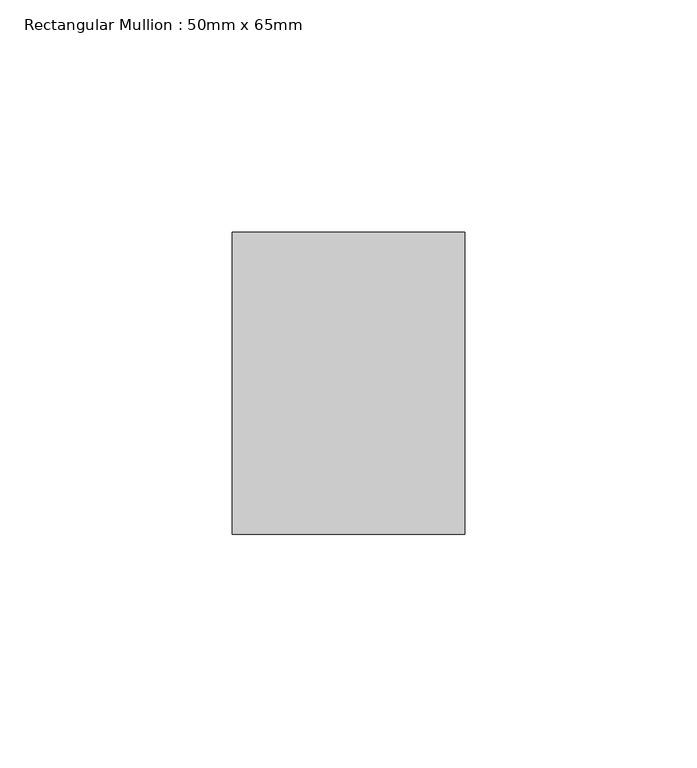
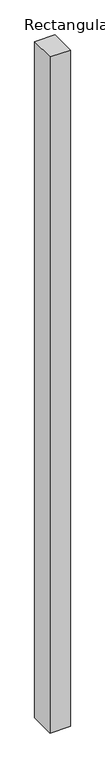
"""IFC4 building model written with IfcOpenShell, lengths in millimetres: member geometry, Rectangular Mullion : 50mm x 65mm."""

from ifc_helpers import new_model, si_unit, frame, origin, place, context, project, spatial, polyline, outline, extrude, source, transform, mapped, element, save


def rectangular_mullion_50mm_x_65mm_0311f599(model_context):
    return source(origin(), model_context, "Body", "SweptSolid", [
        extrude(outline(polyline([(25.0, 32.5), (25.0, -32.5), (-25.0, -32.5), (-25.0, 32.5), (25.0, 32.5)])), frame((0.0, 0.0, -1754.4952207), z_axis=(0.0, 0.0, 1.0), x_axis=(1.0, 0.0, 0.0)), (0.0, 0.0, 1.0), 1754.4952207),
    ])


if __name__ == "__main__":
    model = new_model("IFC4")
    model_context = context("Model", 3, world=origin())
    ifc_project = project(units=[si_unit("LENGTHUNIT", "METRE", prefix="MILLI")], contexts=[model_context])
    site = spatial("IfcSite", under=ifc_project)
    building = spatial("IfcBuilding", under=site)
    placement = place(None, origin())
    rectangular_mullion_50mm_x_65mm_shape = rectangular_mullion_50mm_x_65mm_0311f599(model_context)
    element("IfcMember", 1, ObjectType="Rectangular Mullion : 50mm x 65mm", at=placement, inside=building, context=model_context, shape_type="MappedRepresentation", body=[
        mapped(rectangular_mullion_50mm_x_65mm_shape, transform((0.0, 0.0, 0.0), x_axis=(1.0, 0.0, 0.0), y_axis=(0.0, 1.0, 0.0), z_axis=(0.0, 0.0, 1.0))),
    ])
    save(model, "model.ifc")
